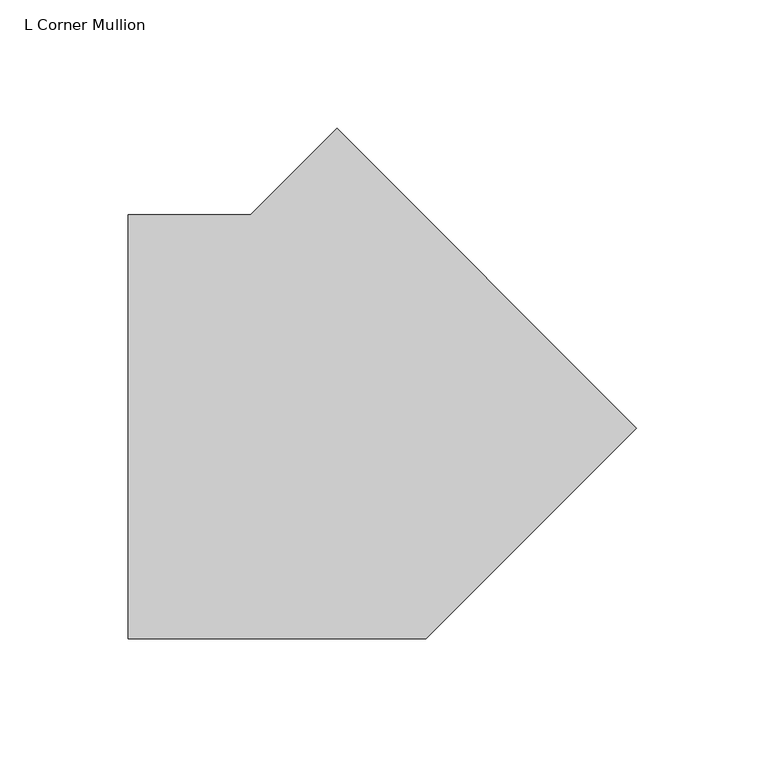
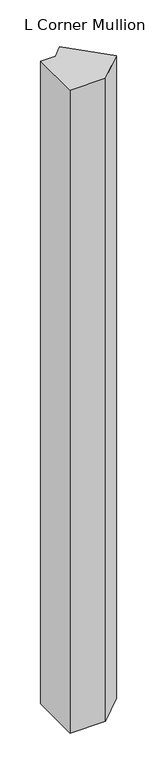
"""IFC4 building model written with IfcOpenShell, lengths in millimetres: member geometry, L Corner Mullion."""

from ifc_helpers import new_model, si_unit, frame, origin, place, context, project, spatial, polyline, outline, extrude, source, transform, mapped, element, save


def l_corner_mullion_7993e340(model_context):
    return source(origin(), model_context, "Body", "SweptSolid", [
        extrude(outline(polyline([(87.3194045, 69.3588922), (5.2605122, -12.7), (-110.7882861, -12.7), (-110.7882861, 152.4), (-63.1261469, 152.4), (-29.4239251, 186.1022218), (87.3194045, 69.3588922)])), frame((0.0, 0.0, -2209.3326946), z_axis=(0.0, 0.0, 1.0), x_axis=(1.0, 0.0, 0.0)), (0.0, 0.0, 1.0), 2209.3326946),
    ])


if __name__ == "__main__":
    model = new_model("IFC4")
    model_context = context("Model", 3, world=origin())
    ifc_project = project(units=[si_unit("LENGTHUNIT", "METRE", prefix="MILLI")], contexts=[model_context])
    site = spatial("IfcSite", under=ifc_project)
    building = spatial("IfcBuilding", under=site)
    placement = place(None, origin())
    l_corner_mullion_shape = l_corner_mullion_7993e340(model_context)
    element("IfcMember", 1, ObjectType="L Corner Mullion", at=placement, inside=building, context=model_context, shape_type="MappedRepresentation", body=[
        mapped(l_corner_mullion_shape, transform((0.0, 0.0, 0.0), x_axis=(1.0, 0.0, 0.0), y_axis=(0.0, 1.0, 0.0), z_axis=(0.0, 0.0, 1.0))),
    ])
    save(model, "model.ifc")
